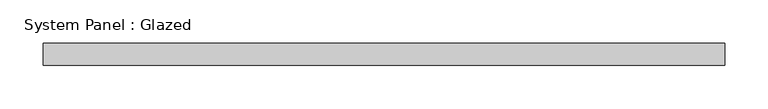
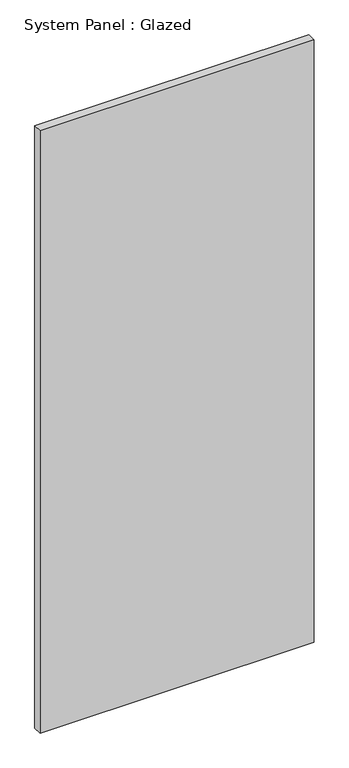
"""IFC4 building model written with IfcOpenShell, lengths in millimetres: plate geometry, System Panel : Glazed."""

from ifc_helpers import new_model, si_unit, origin, origin_with_axes, place, context, project, spatial, polyline, outline, extrude, source, transform, mapped, element, save


def system_panel_glazed_d47daf9d(model_context):
    return source(origin(), model_context, "Body", "SweptSolid", [
        extrude(outline(polyline([(393.7000002, 19.05), (-393.7000002, 19.05), (-393.7000002, 44.45), (393.7000002, 44.45), (393.7000002, 19.05)])), origin_with_axes(), (0.0, 0.0, 1.0), 1828.8),
    ])


if __name__ == "__main__":
    model = new_model("IFC4")
    model_context = context("Model", 3, world=origin())
    ifc_project = project(units=[si_unit("LENGTHUNIT", "METRE", prefix="MILLI")], contexts=[model_context])
    site = spatial("IfcSite", under=ifc_project)
    building = spatial("IfcBuilding", under=site)
    placement = place(None, origin())
    system_panel_glazed_shape = system_panel_glazed_d47daf9d(model_context)
    element("IfcPlate", 1, ObjectType="System Panel : Glazed", at=placement, inside=building, context=model_context, shape_type="MappedRepresentation", body=[
        mapped(system_panel_glazed_shape, transform((0.0, 0.0, 0.0), x_axis=(1.0, 0.0, 0.0), y_axis=(0.0, 1.0, 0.0), z_axis=(0.0, 0.0, 1.0))),
    ])
    save(model, "model.ifc")
